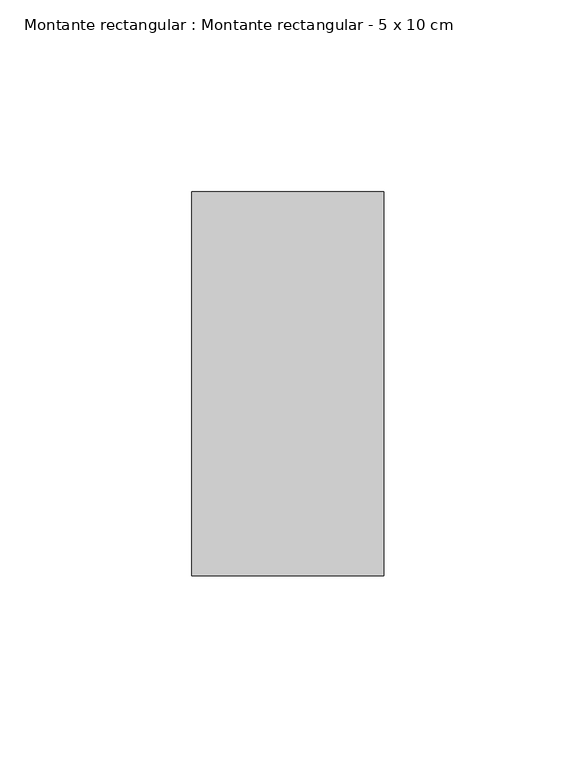
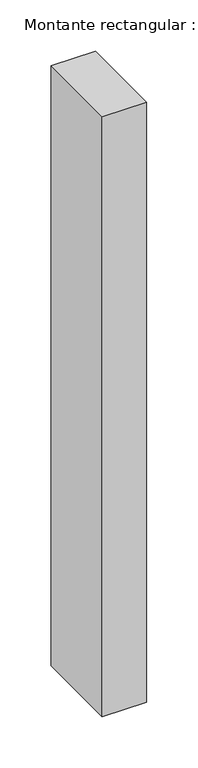
"""IFC4 building model written with IfcOpenShell, lengths in millimetres: member geometry, Montante rectangular : Montante rectangular - 5 x 10 cm."""

from ifc_helpers import new_model, si_unit, frame, origin, place, context, project, spatial, polyline, outline, extrude, source, transform, mapped, element, save


def montante_rectangular_montante_rectangular_5_x_10_cm_72910dd6(model_context):
    return source(origin(), model_context, "Body", "SweptSolid", [
        extrude(outline(polyline([(-50.0, 50.0), (0.0, 50.0), (0.0, -50.0), (-50.0, -50.0), (-50.0, 50.0)])), frame((0.0, 0.0, -714.7019041), z_axis=(0.0, 0.0, 1.0), x_axis=(1.0, 0.0, 0.0)), (0.0, 0.0, 1.0), 714.7019041),
    ])


if __name__ == "__main__":
    model = new_model("IFC4")
    model_context = context("Model", 3, world=origin())
    ifc_project = project(units=[si_unit("LENGTHUNIT", "METRE", prefix="MILLI")], contexts=[model_context])
    site = spatial("IfcSite", under=ifc_project)
    building = spatial("IfcBuilding", under=site)
    placement = place(None, origin())
    montante_rectangular_montante_rectangular_5_x_10_cm_shape = montante_rectangular_montante_rectangular_5_x_10_cm_72910dd6(model_context)
    element("IfcMember", 1, ObjectType="Montante rectangular : Montante rectangular - 5 x 10 cm", at=placement, inside=building, context=model_context, shape_type="MappedRepresentation", body=[
        mapped(montante_rectangular_montante_rectangular_5_x_10_cm_shape, transform((0.0, 0.0, 0.0), x_axis=(1.0, 0.0, 0.0), y_axis=(0.0, 1.0, 0.0), z_axis=(0.0, 0.0, 1.0))),
    ])
    save(model, "model.ifc")
